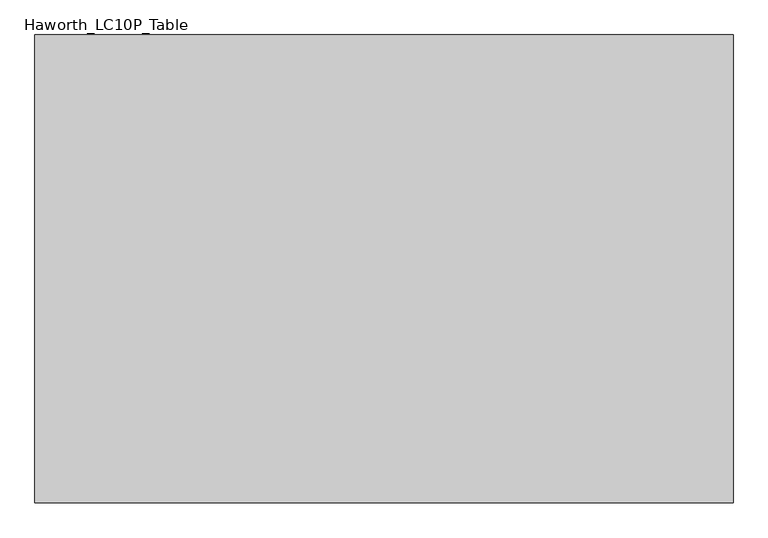
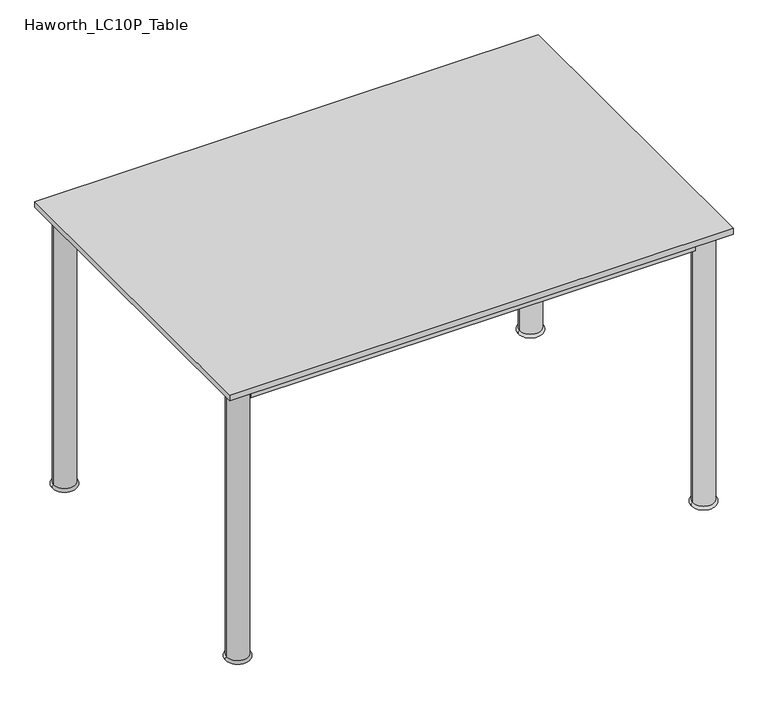
"""IFC4 building model written with IfcOpenShell, lengths in millimetres: furniture geometry, Haworth_LC10P_Table."""

from ifc_helpers import new_model, si_unit, point, frame, origin, place, context, project, spatial, polyline, circle_curve, ellipse_curve, trimmed, outline, extrude, source, transform, mapped, element, save
from ifc_brep_helpers import plane_surface, cylinder_surface, revolved_surface, advanced_brep


def haworth_lc10p_table_7a5e70f3(model_context):
    return source(origin(), model_context, "Body", "SolidModel", [
        extrude(outline(polyline([(527.05, -350.1049408), (527.05, -369.1549408), (-527.05, -369.1549408), (-527.05, -350.1049408), (527.05, -350.1049408)])), frame((0.0, 0.0, 646.1125), z_axis=(0.0, 0.0, 1.0), x_axis=(1.0, 0.0, 0.0)), (0.0, 0.0, 1.0), 33.3375),
        extrude(outline(polyline([(527.05, 361.0950592), (527.05, 342.0450592), (-527.05, 342.0450592), (-527.05, 361.0950592), (527.05, 361.0950592)])), frame((0.0, 0.0, 646.1125), z_axis=(0.0, 0.0, 1.0), x_axis=(1.0, 0.0, 0.0)), (0.0, 0.0, 1.0), 33.3375),
        extrude(outline(polyline([(-542.925, 326.1700592), (-542.925, -334.2299408), (-561.975, -334.2299408), (-561.975, 326.1700592), (-542.925, 326.1700592)])), frame((0.0, 0.0, 646.1125), z_axis=(0.0, 0.0, 1.0), x_axis=(1.0, 0.0, 0.0)), (0.0, 0.0, 1.0), 33.3375),
        extrude(outline(polyline([(561.975, 326.1700592), (561.975, -334.2299408), (542.925, -334.2299408), (542.925, 326.1700592), (561.975, 326.1700592)])), frame((0.0, 0.0, 646.1125), z_axis=(0.0, 0.0, 1.0), x_axis=(1.0, 0.0, 0.0)), (0.0, 0.0, 1.0), 33.3375),
        advanced_brep(
        [(527.05, 351.5700592, 0.0), (577.85, 351.5700592, 0.0), (577.85, 351.5700592, 7.9375), (527.05, 351.5700592, 7.9375), (577.85, 351.5700592, 679.45), (527.05, 351.5700592, 679.45), (577.85, 351.5700592, 684.2125), (527.05, 351.5700592, 684.2125), (552.45, 351.5700592, 684.2125), (552.45, 351.5700592, 0.0)],
        [
            (0, 1, circle_curve(frame((552.45, 351.5700592, 0.0), z_axis=(0.0, 0.0, 1.0), x_axis=(1.0, 0.0, 0.0)), 25.4)),
            (1, 2, circle_curve(frame((577.85, 351.5700592, 3.96875), z_axis=(0.0, -1.0, 0.0), x_axis=(-1.0, 0.0, 0.0)), 3.96875)),
            (2, 3, circle_curve(frame((552.45, 351.5700592, 7.9375), z_axis=(0.0, 0.0, -1.0), x_axis=(1.0, 0.0, 0.0)), 25.4)),
            (3, 0, circle_curve(frame((527.05, 351.5700592, 3.96875), z_axis=(0.0, -1.0, 0.0), x_axis=(1.0, 0.0, 0.0)), 3.96875)),
            (1, 0, circle_curve(frame((552.45, 351.5700592, 0.0), z_axis=(0.0, 0.0, 1.0), x_axis=(1.0, 0.0, 0.0)), 25.4)),
            (3, 2, circle_curve(frame((552.45, 351.5700592, 7.9375), z_axis=(0.0, 0.0, -1.0), x_axis=(1.0, 0.0, 0.0)), 25.4)),
            (2, 4),
            (4, 5, circle_curve(frame((552.45, 351.5700592, 679.45), z_axis=(0.0, 0.0, -1.0), x_axis=(1.0, 0.0, 0.0)), 25.4)),
            (5, 3),
            (5, 4, circle_curve(frame((552.45, 351.5700592, 679.45), z_axis=(0.0, 0.0, -1.0), x_axis=(1.0, 0.0, 0.0)), 25.4)),
            (4, 6),
            (6, 7, circle_curve(frame((552.45, 351.5700592, 684.2125), z_axis=(0.0, 0.0, -1.0), x_axis=(1.0, 0.0, 0.0)), 25.4)),
            (7, 5),
            (7, 6, circle_curve(frame((552.45, 351.5700592, 684.2125), z_axis=(0.0, 0.0, -1.0), x_axis=(1.0, 0.0, 0.0)), 25.4)),
            (6, 8),
            (8, 7),
            (9, 1),
            (0, 9),
        ],
        [
            revolved_surface(trimmed(ellipse_curve(frame((577.85, 351.5700592, 3.96875), z_axis=(0.0, 1.0, 0.0), x_axis=(-1.0, 0.0, 0.0)), 3.96875, 3.96875), [point((577.85, 351.5700592, 7.9375))], [point((577.85, 351.5700592, 0.0))], True, "CARTESIAN"), (552.45, 351.5700592, 2438.4), (0.0, 0.0, -1.0)),
            cylinder_surface(frame((552.45, 351.5700592, 2438.4), z_axis=(0.0, 0.0, -1.0), x_axis=(1.0, 0.0, 0.0)), 25.4),
            plane_surface(frame((552.45, 351.5700592, 684.2125), z_axis=(0.0, 0.0, 1.0), x_axis=(1.0, 0.0, 0.0))),
            plane_surface(frame((552.45, 351.5700592, 0.0), z_axis=(0.0, 0.0, -1.0), x_axis=(1.0, 0.0, 0.0))),
        ],
        [
            (0, [[1, 2, 3, 4]]),
            (0, [[5, -4, 6, -2]]),
            (1, [[-3, 7, 8, 9]]),
            (1, [[-6, -9, 10, -7]]),
            (1, [[-8, 11, 12, 13]]),
            (1, [[-10, -13, 14, -11]]),
            (2, [[-12, 15, 16]]),
            (2, [[-14, -16, -15]]),
            (3, [[17, -1, 18]]),
            (3, [[-18, -5, -17]]),
        ],
    ),
        advanced_brep(
        [(-527.05, 351.5700592, 7.9375), (-577.85, 351.5700592, 7.9375), (-577.85, 351.5700592, 0.0), (-527.05, 351.5700592, 0.0), (-527.05, 351.5700592, 679.45), (-577.85, 351.5700592, 679.45), (-527.05, 351.5700592, 684.2125), (-577.85, 351.5700592, 684.2125), (-552.45, 351.5700592, 684.2125), (-552.45, 351.5700592, 0.0)],
        [
            (0, 1, circle_curve(frame((-552.45, 351.5700592, 7.9375), z_axis=(0.0, 0.0, -1.0), x_axis=(-1.0, 0.0, 0.0)), 25.4)),
            (1, 2, circle_curve(frame((-577.85, 351.5700592, 3.96875), z_axis=(0.0, -1.0, 0.0), x_axis=(-1.0, 0.0, 0.0)), 3.96875)),
            (2, 3, circle_curve(frame((-552.45, 351.5700592, 0.0), z_axis=(0.0, 0.0, 1.0), x_axis=(-1.0, 0.0, 0.0)), 25.4)),
            (3, 0, circle_curve(frame((-527.05, 351.5700592, 3.96875), z_axis=(0.0, -1.0, 0.0), x_axis=(1.0, 0.0, 0.0)), 3.96875)),
            (1, 0, circle_curve(frame((-552.45, 351.5700592, 7.9375), z_axis=(0.0, 0.0, -1.0), x_axis=(-1.0, 0.0, 0.0)), 25.4)),
            (3, 2, circle_curve(frame((-552.45, 351.5700592, 0.0), z_axis=(0.0, 0.0, 1.0), x_axis=(-1.0, 0.0, 0.0)), 25.4)),
            (4, 5, circle_curve(frame((-552.45, 351.5700592, 679.45), z_axis=(0.0, 0.0, -1.0), x_axis=(-1.0, 0.0, 0.0)), 25.4)),
            (5, 1),
            (0, 4),
            (5, 4, circle_curve(frame((-552.45, 351.5700592, 679.45), z_axis=(0.0, 0.0, -1.0), x_axis=(-1.0, 0.0, 0.0)), 25.4)),
            (6, 7, circle_curve(frame((-552.45, 351.5700592, 684.2125), z_axis=(0.0, 0.0, -1.0), x_axis=(-1.0, 0.0, 0.0)), 25.4)),
            (7, 5),
            (4, 6),
            (7, 6, circle_curve(frame((-552.45, 351.5700592, 684.2125), z_axis=(0.0, 0.0, -1.0), x_axis=(-1.0, 0.0, 0.0)), 25.4)),
            (8, 7),
            (6, 8),
            (2, 9),
            (9, 3),
        ],
        [
            revolved_surface(trimmed(ellipse_curve(frame((-577.85, 351.5700592, 3.96875), z_axis=(0.0, 1.0, 0.0), x_axis=(-1.0, 0.0, 0.0)), 3.96875, 3.96875), [point((-577.85, 351.5700592, 0.0))], [point((-577.85, 351.5700592, 7.9375))], True, "CARTESIAN"), (-552.45, 351.5700592, 2438.4), (0.0, 0.0, 1.0)),
            cylinder_surface(frame((-552.45, 351.5700592, 2438.4), z_axis=(0.0, 0.0, 1.0), x_axis=(-1.0, 0.0, 0.0)), 25.4),
            plane_surface(frame((-552.45, 351.5700592, 684.2125), z_axis=(0.0, 0.0, 1.0), x_axis=(-1.0, 0.0, 0.0))),
            plane_surface(frame((-552.45, 351.5700592, 0.0), z_axis=(0.0, 0.0, -1.0), x_axis=(-1.0, 0.0, 0.0))),
        ],
        [
            (0, [[1, 2, 3, 4]]),
            (0, [[5, -4, 6, -2]]),
            (1, [[7, 8, -1, 9]]),
            (1, [[10, -9, -5, -8]]),
            (1, [[11, 12, -7, 13]]),
            (1, [[14, -13, -10, -12]]),
            (2, [[15, -11, 16]]),
            (2, [[-16, -14, -15]]),
            (3, [[-3, 17, 18]]),
            (3, [[-6, -18, -17]]),
        ],
    ),
        advanced_brep(
        [(526.7957141, -359.6299408, 0.0), (578.1042859, -359.6299408, 0.0), (577.85, -359.6299408, 7.9293453), (527.05, -359.6299408, 7.9293453), (577.85, -359.6299408, 679.45), (527.05, -359.6299408, 679.45), (577.85, -359.6299408, 684.2125), (527.05, -359.6299408, 684.2125), (552.45, -359.6299408, 684.2125), (552.45, -359.6299408, 0.0)],
        [
            (0, 1, circle_curve(frame((552.45, -359.6299408, 0.0), z_axis=(0.0, 0.0, 1.0), x_axis=(1.0, 0.0, 0.0)), 25.6542859)),
            (1, 2, circle_curve(frame((578.1042859, -359.6299408, 3.96875), z_axis=(0.0, -1.0, 0.0), x_axis=(1.0, 0.0, 0.0)), 3.96875)),
            (2, 3, circle_curve(frame((552.45, -359.6299408, 7.9293453), z_axis=(0.0, 0.0, -1.0), x_axis=(1.0, 0.0, 0.0)), 25.4)),
            (3, 0, circle_curve(frame((526.7957141, -359.6299408, 3.96875), z_axis=(0.0, -1.0, 0.0), x_axis=(-1.0, 0.0, 0.0)), 3.96875)),
            (1, 0, circle_curve(frame((552.45, -359.6299408, 0.0), z_axis=(0.0, 0.0, 1.0), x_axis=(1.0, 0.0, 0.0)), 25.6542859)),
            (3, 2, circle_curve(frame((552.45, -359.6299408, 7.9293453), z_axis=(0.0, 0.0, -1.0), x_axis=(1.0, 0.0, 0.0)), 25.4)),
            (2, 4),
            (4, 5, circle_curve(frame((552.45, -359.6299408, 679.45), z_axis=(0.0, 0.0, -1.0), x_axis=(1.0, 0.0, 0.0)), 25.4)),
            (5, 3),
            (5, 4, circle_curve(frame((552.45, -359.6299408, 679.45), z_axis=(0.0, 0.0, -1.0), x_axis=(1.0, 0.0, 0.0)), 25.4)),
            (4, 6),
            (6, 7, circle_curve(frame((552.45, -359.6299408, 684.2125), z_axis=(0.0, 0.0, -1.0), x_axis=(1.0, 0.0, 0.0)), 25.4)),
            (7, 5),
            (7, 6, circle_curve(frame((552.45, -359.6299408, 684.2125), z_axis=(0.0, 0.0, -1.0), x_axis=(1.0, 0.0, 0.0)), 25.4)),
            (6, 8),
            (8, 7),
            (9, 1),
            (0, 9),
        ],
        [
            revolved_surface(trimmed(ellipse_curve(frame((578.1042859, -359.6299408, 3.96875), z_axis=(0.0, 1.0, 0.0), x_axis=(1.0, 0.0, 0.0)), 3.96875, 3.96875), [point((577.85, -359.6299408, 7.9293453))], [point((578.1042859, -359.6299408, 0.0))], True, "CARTESIAN"), (552.45, -359.6299408, 2438.4), (0.0, 0.0, -1.0)),
            cylinder_surface(frame((552.45, -359.6299408, 2438.4), z_axis=(0.0, 0.0, -1.0), x_axis=(1.0, 0.0, 0.0)), 25.4),
            plane_surface(frame((552.45, -359.6299408, 684.2125), z_axis=(0.0, 0.0, 1.0), x_axis=(1.0, 0.0, 0.0))),
            plane_surface(frame((552.45, -359.6299408, 0.0), z_axis=(0.0, 0.0, -1.0), x_axis=(1.0, 0.0, 0.0))),
        ],
        [
            (0, [[1, 2, 3, 4]]),
            (0, [[5, -4, 6, -2]]),
            (1, [[-3, 7, 8, 9]]),
            (1, [[-6, -9, 10, -7]]),
            (1, [[-8, 11, 12, 13]]),
            (1, [[-10, -13, 14, -11]]),
            (2, [[-12, 15, 16]]),
            (2, [[-14, -16, -15]]),
            (3, [[17, -1, 18]]),
            (3, [[-18, -5, -17]]),
        ],
    ),
        advanced_brep(
        [(-527.05, -359.6299408, 7.9375), (-577.85, -359.6299408, 7.9375), (-577.85, -359.6299408, 0.0), (-527.05, -359.6299408, 0.0), (-527.05, -359.6299408, 679.45), (-577.85, -359.6299408, 679.45), (-527.05, -359.6299408, 684.2125), (-577.85, -359.6299408, 684.2125), (-552.45, -359.6299408, 684.2125), (-552.45, -359.6299408, 0.0)],
        [
            (0, 1, circle_curve(frame((-552.45, -359.6299408, 7.9375), z_axis=(0.0, 0.0, -1.0), x_axis=(-1.0, 0.0, 0.0)), 25.4)),
            (1, 2, circle_curve(frame((-577.85, -359.6299408, 3.96875), z_axis=(0.0, -1.0, 0.0), x_axis=(-1.0, 0.0, 0.0)), 3.96875)),
            (2, 3, circle_curve(frame((-552.45, -359.6299408, 0.0), z_axis=(0.0, 0.0, 1.0), x_axis=(-1.0, 0.0, 0.0)), 25.4)),
            (3, 0, circle_curve(frame((-527.05, -359.6299408, 3.96875), z_axis=(0.0, -1.0, 0.0), x_axis=(1.0, 0.0, 0.0)), 3.96875)),
            (1, 0, circle_curve(frame((-552.45, -359.6299408, 7.9375), z_axis=(0.0, 0.0, -1.0), x_axis=(-1.0, 0.0, 0.0)), 25.4)),
            (3, 2, circle_curve(frame((-552.45, -359.6299408, 0.0), z_axis=(0.0, 0.0, 1.0), x_axis=(-1.0, 0.0, 0.0)), 25.4)),
            (4, 5, circle_curve(frame((-552.45, -359.6299408, 679.45), z_axis=(0.0, 0.0, -1.0), x_axis=(-1.0, 0.0, 0.0)), 25.4)),
            (5, 1),
            (0, 4),
            (5, 4, circle_curve(frame((-552.45, -359.6299408, 679.45), z_axis=(0.0, 0.0, -1.0), x_axis=(-1.0, 0.0, 0.0)), 25.4)),
            (6, 7, circle_curve(frame((-552.45, -359.6299408, 684.2125), z_axis=(0.0, 0.0, -1.0), x_axis=(-1.0, 0.0, 0.0)), 25.4)),
            (7, 5),
            (4, 6),
            (7, 6, circle_curve(frame((-552.45, -359.6299408, 684.2125), z_axis=(0.0, 0.0, -1.0), x_axis=(-1.0, 0.0, 0.0)), 25.4)),
            (8, 7),
            (6, 8),
            (2, 9),
            (9, 3),
        ],
        [
            revolved_surface(trimmed(ellipse_curve(frame((-577.85, -359.6299408, 3.96875), z_axis=(0.0, 1.0, 0.0), x_axis=(-1.0, 0.0, 0.0)), 3.96875, 3.96875), [point((-577.85, -359.6299408, 0.0))], [point((-577.85, -359.6299408, 7.9375))], True, "CARTESIAN"), (-552.45, -359.6299408, 2438.4), (0.0, 0.0, 1.0)),
            cylinder_surface(frame((-552.45, -359.6299408, 2438.4), z_axis=(0.0, 0.0, 1.0), x_axis=(-1.0, 0.0, 0.0)), 25.4),
            plane_surface(frame((-552.45, -359.6299408, 684.2125), z_axis=(0.0, 0.0, 1.0), x_axis=(-1.0, 0.0, 0.0))),
            plane_surface(frame((-552.45, -359.6299408, 0.0), z_axis=(0.0, 0.0, -1.0), x_axis=(-1.0, 0.0, 0.0))),
        ],
        [
            (0, [[1, 2, 3, 4]]),
            (0, [[5, -4, 6, -2]]),
            (1, [[7, 8, -1, 9]]),
            (1, [[10, -9, -5, -8]]),
            (1, [[11, 12, -7, 13]]),
            (1, [[14, -13, -10, -12]]),
            (2, [[15, -11, 16]]),
            (2, [[-16, -14, -15]]),
            (3, [[-3, 17, 18]]),
            (3, [[-6, -18, -17]]),
        ],
    ),
        extrude(outline(polyline([(596.9, 396.0200592), (596.9, -404.0799408), (-596.9, -404.0799408), (-596.9, 396.0200592), (596.9, 396.0200592)])), frame((0.0, 0.0, 684.2125), z_axis=(0.0, 0.0, 1.0), x_axis=(1.0, 0.0, 0.0)), (0.0, 0.0, 1.0), 14.2875),
    ])


if __name__ == "__main__":
    model = new_model("IFC4")
    model_context = context("Model", 3, world=origin())
    ifc_project = project(units=[si_unit("LENGTHUNIT", "METRE", prefix="MILLI")], contexts=[model_context])
    site = spatial("IfcSite", under=ifc_project)
    building = spatial("IfcBuilding", under=site)
    placement = place(None, origin())
    haworth_lc10p_table_shape = haworth_lc10p_table_7a5e70f3(model_context)
    element("IfcFurniture", 1, ObjectType="Haworth_LC10P_Table", at=placement, inside=building, context=model_context, shape_type="MappedRepresentation", body=[
        mapped(haworth_lc10p_table_shape, transform((0.0, 0.0, 0.0), x_axis=(1.0, 0.0, 0.0), y_axis=(0.0, 1.0, 0.0), z_axis=(0.0, 0.0, 1.0))),
    ])
    save(model, "model.ifc")
